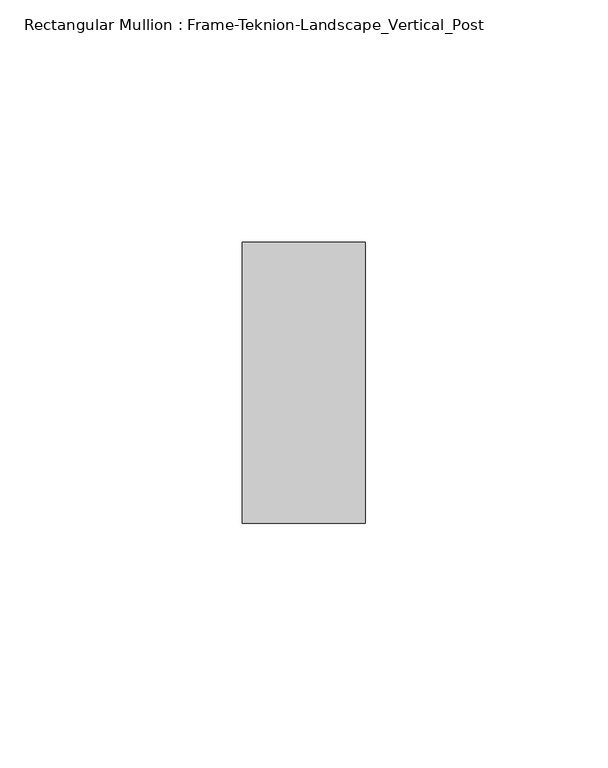
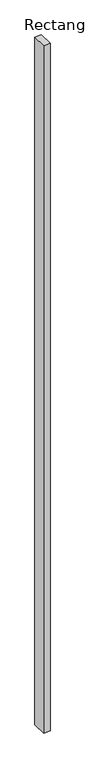
"""IFC4 building model written with IfcOpenShell, lengths in millimetres: member geometry, Rectangular Mullion : Frame-Teknion-Landscape_Vertical_Post."""

from ifc_helpers import new_model, si_unit, frame, origin, place, context, project, spatial, polyline, outline, extrude, source, transform, mapped, element, save


def rectangular_mullion_frame_teknion_landscape_vertical_post_cf1b28b5(model_context):
    return source(origin(), model_context, "Body", "SweptSolid", [
        extrude(outline(polyline([(12.7, 28.971875), (12.7, -28.971875), (-12.7, -28.971875), (-12.7, 28.971875), (12.7, 28.971875)])), frame((0.0, 0.0, -2818.3078001), z_axis=(0.0, 0.0, 1.0), x_axis=(1.0, 0.0, 0.0)), (0.0, 0.0, 1.0), 2818.3078001),
    ])


if __name__ == "__main__":
    model = new_model("IFC4")
    model_context = context("Model", 3, world=origin())
    ifc_project = project(units=[si_unit("LENGTHUNIT", "METRE", prefix="MILLI")], contexts=[model_context])
    site = spatial("IfcSite", under=ifc_project)
    building = spatial("IfcBuilding", under=site)
    placement = place(None, origin())
    rectangular_mullion_frame_teknion_landscape_vertical_post_shape = rectangular_mullion_frame_teknion_landscape_vertical_post_cf1b28b5(model_context)
    element("IfcMember", 1, ObjectType="Rectangular Mullion : Frame-Teknion-Landscape_Vertical_Post", at=placement, inside=building, context=model_context, shape_type="MappedRepresentation", body=[
        mapped(rectangular_mullion_frame_teknion_landscape_vertical_post_shape, transform((0.0, 0.0, 0.0), x_axis=(1.0, 0.0, 0.0), y_axis=(0.0, 1.0, 0.0), z_axis=(0.0, 0.0, 1.0))),
    ])
    save(model, "model.ifc")
